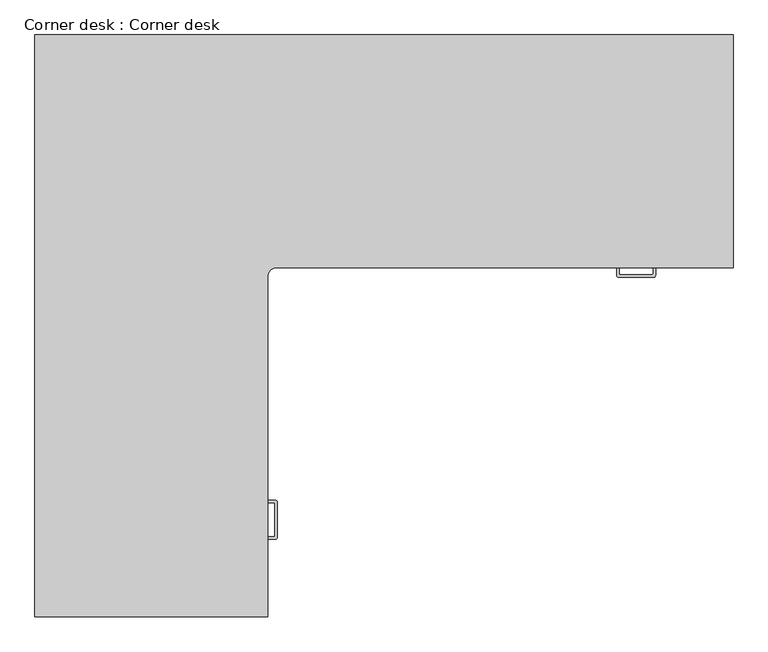
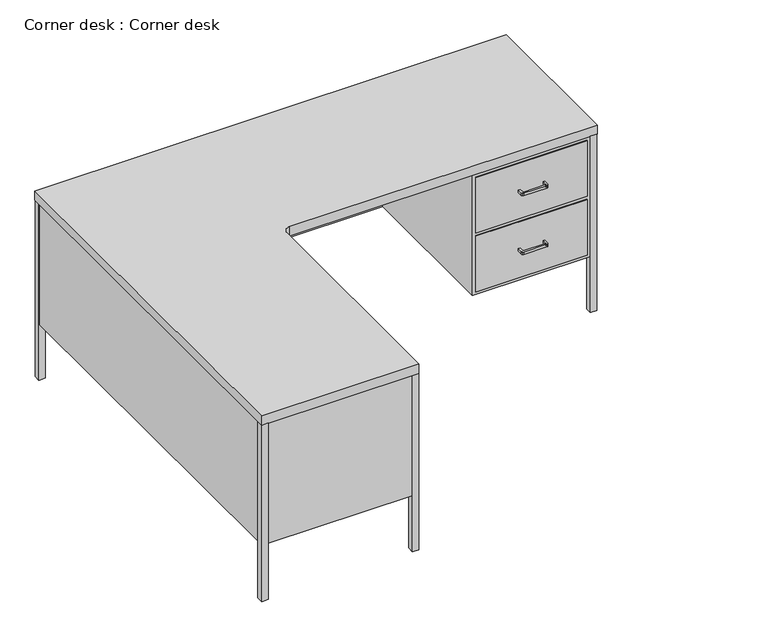
"""IFC4 building model written with IfcOpenShell, lengths in millimetres: furniture geometry, Corner desk : Corner desk."""

from ifc_helpers import new_model, si_unit, frame, origin, place, context, project, spatial, polyline, circle_curve, source, transform, mapped, element, save
from ifc_brep_helpers import plane_surface, cylinder_surface, revolved_surface, advanced_brep


def corner_desk_corner_desk_9271327f(model_context):
    return source(origin(), model_context, "Body", "AdvancedBrep", [
        advanced_brep(
        [(611.4771568, -617.9413021, 724.0806959), (629.437669, -610.5018143, 724.0806959), (629.437669, -610.5018143, 762.1806959), (611.4771568, -617.9413021, 762.1806959), (622.3437202, -1314.6078655, 592.0006959), (620.547669, -1315.3518143, 592.0006959), (620.547669, -1315.3518143, 602.1606959), (622.3437202, -1314.6078655, 602.1606959), (622.3437202, -1227.1957631, 592.0006959), (623.087669, -1228.9918143, 592.0006959), (623.087669, -1228.9918143, 602.1606959), (622.3437202, -1227.1957631, 602.1606959), (627.9497714, -1320.2139168, 602.1606959), (624.357669, -1321.7018143, 602.1606959), (624.357669, -1321.7018143, 592.0006959), (627.9497714, -1320.2139168, 592.0006959), (627.9497714, -1221.5897119, 592.0006959), (624.357669, -1220.1018143, 592.0006959), (624.357669, -1220.1018143, 602.1606959), (627.9497714, -1221.5897119, 602.1606959), (622.3437202, -1314.6078655, 350.7006959), (620.547669, -1315.3518143, 350.7006959), (620.547669, -1315.3518143, 360.8606959), (622.3437202, -1314.6078655, 360.8606959), (622.3437202, -1227.1957631, 350.7006959), (623.087669, -1228.9918143, 350.7006959), (623.087669, -1228.9918143, 360.8606959), (622.3437202, -1227.1957631, 360.8606959), (627.9497714, -1320.2139168, 360.8606959), (624.357669, -1321.7018143, 360.8606959), (624.357669, -1321.7018143, 350.7006959), (627.9497714, -1320.2139168, 350.7006959), (627.9497714, -1221.5897119, 350.7006959), (624.357669, -1220.1018143, 350.7006959), (624.357669, -1220.1018143, 360.8606959), (627.9497714, -1221.5897119, 360.8606959), (1612.9437202, -628.8078655, 350.7006959), (1611.147669, -629.5518143, 350.7006959), (1611.147669, -629.5518143, 360.8606959), (1612.9437202, -628.8078655, 360.8606959), (1525.5316178, -628.8078655, 350.7006959), (1524.787669, -627.0118143, 350.7006959), (1524.787669, -627.0118143, 360.8606959), (1525.5316178, -628.8078655, 360.8606959), (1519.9255665, -634.4139168, 360.8606959), (1518.437669, -630.8218143, 360.8606959), (1518.437669, -630.8218143, 350.7006959), (1519.9255665, -634.4139168, 350.7006959), (1618.5497714, -634.4139168, 350.7006959), (1620.037669, -630.8218143, 350.7006959), (1620.037669, -630.8218143, 360.8606959), (1618.5497714, -634.4139168, 360.8606959), (1612.9437202, -628.8078655, 592.0006959), (1611.147669, -629.5518143, 592.0006959), (1611.147669, -629.5518143, 602.1606959), (1612.9437202, -628.8078655, 602.1606959), (1525.5316178, -628.8078655, 592.0006959), (1524.787669, -627.0118143, 592.0006959), (1524.787669, -627.0118143, 602.1606959), (1525.5316178, -628.8078655, 602.1606959), (1519.9255665, -634.4139168, 602.1606959), (1518.437669, -630.8218143, 602.1606959), (1518.437669, -630.8218143, 592.0006959), (1519.9255665, -634.4139168, 592.0006959), (1618.5497714, -634.4139168, 592.0006959), (1620.037669, -630.8218143, 592.0006959), (1620.037669, -630.8218143, 602.1606959), (1618.5497714, -634.4139168, 602.1606959), (578.637669, -1524.6478143, 0.1806959), (578.637669, -1499.5018143, 0.1806959), (603.783669, -1499.5018143, 0.1806959), (603.783669, -1524.6478143, 0.1806959), (-5.308331, -1499.5018143, 0.1806959), (19.837669, -1499.5018143, 0.1806959), (19.837669, -1524.6478143, 0.1806959), (-5.308331, -1524.6478143, 0.1806959), (19.837669, -1.1558143, 0.1806959), (19.837669, -26.3018143, 0.1806959), (-5.308331, -26.3018143, 0.1806959), (-5.308331, -1.1558143, 0.1806959), (1822.983669, -1.1558143, 0.1806959), (1822.983669, -26.3018143, 0.1806959), (1797.837669, -26.3018143, 0.1806959), (1797.837669, -1.1558143, 0.1806959), (1797.837669, -585.1018143, 0.1806959), (1822.983669, -585.1018143, 0.1806959), (1822.983669, -610.2478143, 0.1806959), (1797.837669, -610.2478143, 0.1806959), (1822.983669, -585.1018143, 724.0806959), (1822.983669, -610.2478143, 724.0806959), (1797.837669, -610.2478143, 724.0806959), (1822.983669, -26.3018143, 724.0806959), (1820.697669, -26.3018143, 724.0806959), (1820.697669, -26.3018143, 228.7806959), (1797.837669, -26.3018143, 228.7806959), (1797.837669, -3.4418143, 228.7806959), (1797.837669, -3.4418143, 724.0806959), (1797.837669, -1.1558143, 724.0806959), (19.837669, -26.3018143, 724.0806959), (-0.482331, -26.3018143, 724.0806959), (-0.482331, -26.3018143, 228.7806959), (-3.022331, -26.3018143, 228.7806959), (-3.022331, -26.3018143, 724.0806959), (-5.308331, -26.3018143, 724.0806959), (-5.308331, -1.1558143, 724.0806959), (19.837669, -1499.5018143, 228.7806959), (19.837669, -1522.3618143, 228.7806959), (19.837669, -1522.3618143, 724.0806959), (19.837669, -1524.6478143, 724.0806959), (-5.308331, -1524.6478143, 724.0806959), (578.637669, -1499.5018143, 228.7806959), (601.497669, -1499.5018143, 228.7806959), (601.497669, -1499.5018143, 724.0806959), (603.783669, -1499.5018143, 724.0806959), (603.783669, -1524.6478143, 724.0806959), (1614.957669, -635.9018143, 602.1606959), (1614.957669, -635.9018143, 592.0006959), (1620.037669, -610.5018143, 592.0006959), (1620.037669, -610.5018143, 602.1606959), (1613.687669, -610.5018143, 602.1606959), (1613.687669, -627.0118143, 602.1606959), (1527.327669, -629.5518143, 602.1606959), (1524.787669, -610.5018143, 602.1606959), (1518.437669, -610.5018143, 602.1606959), (1523.517669, -635.9018143, 602.1606959), (1523.517669, -635.9018143, 592.0006959), (1518.437669, -610.5018143, 592.0006959), (1524.787669, -610.5018143, 592.0006959), (1527.327669, -629.5518143, 592.0006959), (1613.687669, -627.0118143, 592.0006959), (1613.687669, -610.5018143, 592.0006959), (1614.957669, -635.9018143, 360.8606959), (1614.957669, -635.9018143, 350.7006959), (1620.037669, -610.5018143, 350.7006959), (1620.037669, -610.5018143, 360.8606959), (1613.687669, -610.5018143, 360.8606959), (1613.687669, -627.0118143, 360.8606959), (1527.327669, -629.5518143, 360.8606959), (1524.787669, -610.5018143, 360.8606959), (1518.437669, -610.5018143, 360.8606959), (1523.517669, -635.9018143, 360.8606959), (1523.517669, -635.9018143, 350.7006959), (1518.437669, -610.5018143, 350.7006959), (1524.787669, -610.5018143, 350.7006959), (1527.327669, -629.5518143, 350.7006959), (1613.687669, -627.0118143, 350.7006959), (1613.687669, -610.5018143, 350.7006959), (629.437669, -1225.1818143, 360.8606959), (629.437669, -1225.1818143, 350.7006959), (604.037669, -1220.1018143, 350.7006959), (604.037669, -1220.1018143, 360.8606959), (604.037669, -1226.4518143, 360.8606959), (620.547669, -1226.4518143, 360.8606959), (623.087669, -1312.8118143, 360.8606959), (604.037669, -1315.3518143, 360.8606959), (604.037669, -1321.7018143, 360.8606959), (629.437669, -1316.6218143, 360.8606959), (629.437669, -1316.6218143, 350.7006959), (604.037669, -1321.7018143, 350.7006959), (604.037669, -1315.3518143, 350.7006959), (623.087669, -1312.8118143, 350.7006959), (620.547669, -1226.4518143, 350.7006959), (604.037669, -1226.4518143, 350.7006959), (629.437669, -1225.1818143, 602.1606959), (629.437669, -1225.1818143, 592.0006959), (604.037669, -1220.1018143, 592.0006959), (604.037669, -1220.1018143, 602.1606959), (604.037669, -1226.4518143, 602.1606959), (620.547669, -1226.4518143, 602.1606959), (623.087669, -1312.8118143, 602.1606959), (604.037669, -1315.3518143, 602.1606959), (604.037669, -1321.7018143, 602.1606959), (629.437669, -1316.6218143, 602.1606959), (629.437669, -1316.6218143, 592.0006959), (604.037669, -1321.7018143, 592.0006959), (604.037669, -1315.3518143, 592.0006959), (623.087669, -1312.8118143, 592.0006959), (620.547669, -1226.4518143, 592.0006959), (604.037669, -1226.4518143, 592.0006959), (604.037669, -1055.0018143, 482.7806959), (601.497669, -1055.0018143, 482.7806959), (601.497669, -1055.0018143, 711.3806959), (604.037669, -1055.0018143, 711.3806959), (604.037669, -1486.8018143, 482.7806959), (601.497669, -1486.8018143, 482.7806959), (604.037669, -1486.8018143, 711.3806959), (601.497669, -1486.8018143, 711.3806959), (604.037669, -1486.8018143, 470.0806959), (601.497669, -1486.8018143, 470.0806959), (601.497669, -1486.8018143, 241.4806959), (604.037669, -1486.8018143, 241.4806959), (604.037669, -1055.0018143, 470.0806959), (601.497669, -1055.0018143, 470.0806959), (604.037669, -1055.0018143, 241.4806959), (601.497669, -1055.0018143, 241.4806959), (1785.137669, -610.5018143, 482.7806959), (1785.137669, -607.9618143, 482.7806959), (1785.137669, -607.9618143, 711.3806959), (1785.137669, -610.5018143, 711.3806959), (1353.337669, -610.5018143, 482.7806959), (1353.337669, -607.9618143, 482.7806959), (1353.337669, -610.5018143, 711.3806959), (1353.337669, -607.9618143, 711.3806959), (1353.337669, -610.5018143, 470.0806959), (1353.337669, -607.9618143, 470.0806959), (1353.337669, -607.9618143, 241.4806959), (1353.337669, -610.5018143, 241.4806959), (1785.137669, -610.5018143, 470.0806959), (1785.137669, -607.9618143, 470.0806959), (1785.137669, -610.5018143, 241.4806959), (1785.137669, -607.9618143, 241.4806959), (604.037669, -635.9018143, 762.1806959), (604.037669, -635.9018143, 724.0806959), (1823.237669, -610.5018143, 724.0806959), (1823.237669, -610.5018143, 762.1806959), (578.637669, -1522.3618143, 724.0806959), (578.637669, -1522.3618143, 228.7806959), (-3.022331, -1499.5018143, 228.7806959), (-3.022331, -1499.5018143, 724.0806959), (19.837669, -3.4418143, 724.0806959), (19.837669, -3.4418143, 228.7806959), (1820.697669, -585.1018143, 724.0806959), (1820.697669, -585.1018143, 228.7806959), (604.037669, -1524.9018143, 762.1806959), (604.037669, -1524.9018143, 724.0806959), (1340.637669, -5.9818143, 228.7806959), (1340.637669, -5.9818143, 724.0806959), (19.837669, -5.9818143, 724.0806959), (19.837669, -5.9818143, 228.7806959), (-5.562331, -1524.9018143, 762.1806959), (-5.562331, -1524.9018143, 724.0806959), (1797.837669, -607.9618143, 724.0806959), (1797.837669, -607.9618143, 228.7806959), (1797.837669, -585.1018143, 228.7806959), (-5.562331, -0.9018143, 762.1806959), (-5.562331, -0.9018143, 724.0806959), (1823.237669, -0.9018143, 762.1806959), (1823.237669, -0.9018143, 724.0806959), (1340.637669, -607.9618143, 228.7806959), (601.497669, -1042.3018143, 724.0806959), (-0.482331, -1042.3018143, 724.0806959), (1340.637669, -607.9618143, 724.0806959), (1822.983669, -1.1558143, 724.0806959), (19.837669, -1.1558143, 724.0806959), (-5.308331, -1499.5018143, 724.0806959), (578.637669, -1524.6478143, 724.0806959), (-0.482331, -1042.3018143, 228.7806959), (601.497669, -1042.3018143, 228.7806959)],
        [
            (0, 1, circle_curve(frame((629.437669, -635.9018143, 724.0806959), z_axis=(0.0, 0.0, -1.0), x_axis=(-0.7071067811865465, 0.7071067811865486, 0.0)), 25.4)),
            (1, 2),
            (2, 3, circle_curve(frame((629.437669, -635.9018143, 762.1806959), z_axis=(0.0, 0.0, 1.0), x_axis=(-0.7071067811865465, 0.7071067811865486, 0.0)), 25.4)),
            (3, 0),
            (4, 5, circle_curve(frame((620.547669, -1312.8118143, 592.0006959), z_axis=(0.0, 0.0, -1.0), x_axis=(0.7071067811865079, -0.707106781186587, 0.0)), 2.54)),
            (5, 6),
            (6, 7, circle_curve(frame((620.547669, -1312.8118143, 602.1606959), z_axis=(0.0, 0.0, 1.0), x_axis=(0.7071067811865079, -0.707106781186587, 0.0)), 2.54)),
            (7, 4),
            (8, 9, circle_curve(frame((620.547669, -1228.9918143, 592.0006959), z_axis=(0.0, 0.0, -1.0), x_axis=(0.7071067811865079, 0.707106781186587, 0.0)), 2.54)),
            (9, 10),
            (10, 11, circle_curve(frame((620.547669, -1228.9918143, 602.1606959), z_axis=(0.0, 0.0, 1.0), x_axis=(0.7071067811865079, 0.707106781186587, 0.0)), 2.54)),
            (11, 8),
            (12, 13, circle_curve(frame((624.357669, -1316.6218143, 602.1606959), z_axis=(0.0, 0.0, -1.0), x_axis=(0.7071067811865178, -0.7071067811865772, 0.0)), 5.08)),
            (13, 14),
            (14, 15, circle_curve(frame((624.357669, -1316.6218143, 592.0006959), z_axis=(0.0, 0.0, 1.0), x_axis=(0.7071067811865178, -0.7071067811865772, 0.0)), 5.08)),
            (15, 12),
            (16, 17, circle_curve(frame((624.357669, -1225.1818143, 592.0006959), z_axis=(0.0, 0.0, 1.0), x_axis=(0.7071067811865375, 0.7071067811865573, 0.0)), 5.08)),
            (17, 18),
            (18, 19, circle_curve(frame((624.357669, -1225.1818143, 602.1606959), z_axis=(0.0, 0.0, -1.0), x_axis=(0.7071067811865375, 0.7071067811865573, 0.0)), 5.08)),
            (19, 16),
            (20, 21, circle_curve(frame((620.547669, -1312.8118143, 350.7006959), z_axis=(0.0, 0.0, -1.0), x_axis=(0.7071067811865079, -0.707106781186587, 0.0)), 2.54)),
            (21, 22),
            (22, 23, circle_curve(frame((620.547669, -1312.8118143, 360.8606959), z_axis=(0.0, 0.0, 1.0), x_axis=(0.7071067811865079, -0.707106781186587, 0.0)), 2.54)),
            (23, 20),
            (24, 25, circle_curve(frame((620.547669, -1228.9918143, 350.7006959), z_axis=(0.0, 0.0, -1.0), x_axis=(0.7071067811865079, 0.707106781186587, 0.0)), 2.54)),
            (25, 26),
            (26, 27, circle_curve(frame((620.547669, -1228.9918143, 360.8606959), z_axis=(0.0, 0.0, 1.0), x_axis=(0.7071067811865079, 0.707106781186587, 0.0)), 2.54)),
            (27, 24),
            (28, 29, circle_curve(frame((624.357669, -1316.6218143, 360.8606959), z_axis=(0.0, 0.0, -1.0), x_axis=(0.7071067811865178, -0.7071067811865772, 0.0)), 5.08)),
            (29, 30),
            (30, 31, circle_curve(frame((624.357669, -1316.6218143, 350.7006959), z_axis=(0.0, 0.0, 1.0), x_axis=(0.7071067811865178, -0.7071067811865772, 0.0)), 5.08)),
            (31, 28),
            (32, 33, circle_curve(frame((624.357669, -1225.1818143, 350.7006959), z_axis=(0.0, 0.0, 1.0), x_axis=(0.7071067811865375, 0.7071067811865573, 0.0)), 5.08)),
            (33, 34),
            (34, 35, circle_curve(frame((624.357669, -1225.1818143, 360.8606959), z_axis=(0.0, 0.0, -1.0), x_axis=(0.7071067811865375, 0.7071067811865573, 0.0)), 5.08)),
            (35, 32),
            (36, 37, circle_curve(frame((1611.147669, -627.0118143, 350.7006959), z_axis=(0.0, 0.0, -1.0), x_axis=(0.7071067811864881, -0.7071067811866067, 0.0)), 2.54)),
            (37, 38),
            (38, 39, circle_curve(frame((1611.147669, -627.0118143, 360.8606959), z_axis=(0.0, 0.0, 1.0), x_axis=(0.7071067811864881, -0.7071067811866067, 0.0)), 2.54)),
            (39, 36),
            (40, 41, circle_curve(frame((1527.327669, -627.0118143, 350.7006959), z_axis=(0.0, 0.0, -1.0), x_axis=(-0.7071067811865672, -0.7071067811865278, 0.0)), 2.54)),
            (41, 42),
            (42, 43, circle_curve(frame((1527.327669, -627.0118143, 360.8606959), z_axis=(0.0, 0.0, 1.0), x_axis=(-0.7071067811865672, -0.7071067811865278, 0.0)), 2.54)),
            (43, 40),
            (44, 45, circle_curve(frame((1523.517669, -630.8218143, 360.8606959), z_axis=(0.0, 0.0, -1.0), x_axis=(-0.7071067811865475, -0.7071067811865475, 0.0)), 5.08)),
            (45, 46),
            (46, 47, circle_curve(frame((1523.517669, -630.8218143, 350.7006959), z_axis=(0.0, 0.0, 1.0), x_axis=(-0.7071067811865475, -0.7071067811865475, 0.0)), 5.08)),
            (47, 44),
            (48, 49, circle_curve(frame((1614.957669, -630.8218143, 350.7006959), z_axis=(0.0, 0.0, 1.0), x_axis=(0.7071067811865278, -0.7071067811865672, 0.0)), 5.08)),
            (49, 50),
            (50, 51, circle_curve(frame((1614.957669, -630.8218143, 360.8606959), z_axis=(0.0, 0.0, -1.0), x_axis=(0.7071067811865278, -0.7071067811865672, 0.0)), 5.08)),
            (51, 48),
            (52, 53, circle_curve(frame((1611.147669, -627.0118143, 592.0006959), z_axis=(0.0, 0.0, -1.0), x_axis=(0.7071067811865079, -0.7071067811865871, 0.0)), 2.54)),
            (53, 54),
            (54, 55, circle_curve(frame((1611.147669, -627.0118143, 602.1606959), z_axis=(0.0, 0.0, 1.0), x_axis=(0.7071067811865079, -0.7071067811865871, 0.0)), 2.54)),
            (55, 52),
            (56, 57, circle_curve(frame((1527.327669, -627.0118143, 592.0006959), z_axis=(0.0, 0.0, -1.0), x_axis=(-0.707106781186587, -0.7071067811865079, 0.0)), 2.54)),
            (57, 58),
            (58, 59, circle_curve(frame((1527.327669, -627.0118143, 602.1606959), z_axis=(0.0, 0.0, 1.0), x_axis=(-0.707106781186587, -0.7071067811865079, 0.0)), 2.54)),
            (59, 56),
            (60, 61, circle_curve(frame((1523.517669, -630.8218143, 602.1606959), z_axis=(0.0, 0.0, -1.0), x_axis=(-0.7071067811865573, -0.7071067811865375, 0.0)), 5.08)),
            (61, 62),
            (62, 63, circle_curve(frame((1523.517669, -630.8218143, 592.0006959), z_axis=(0.0, 0.0, 1.0), x_axis=(-0.7071067811865573, -0.7071067811865375, 0.0)), 5.08)),
            (63, 60),
            (64, 65, circle_curve(frame((1614.957669, -630.8218143, 592.0006959), z_axis=(0.0, 0.0, 1.0), x_axis=(0.7071067811865375, -0.7071067811865573, 0.0)), 5.08)),
            (65, 66),
            (66, 67, circle_curve(frame((1614.957669, -630.8218143, 602.1606959), z_axis=(0.0, 0.0, -1.0), x_axis=(0.7071067811865375, -0.7071067811865573, 0.0)), 5.08)),
            (67, 64),
            (68, 69),
            (69, 70),
            (70, 71),
            (71, 68),
            (72, 73),
            (73, 74),
            (74, 75),
            (75, 72),
            (76, 77),
            (77, 78),
            (78, 79),
            (79, 76),
            (80, 81),
            (81, 82),
            (82, 83),
            (83, 80),
            (84, 85),
            (85, 86),
            (86, 87),
            (87, 84),
            (85, 88),
            (88, 89),
            (89, 86),
            (89, 90),
            (90, 87),
            (81, 91),
            (91, 92),
            (92, 93),
            (93, 94),
            (94, 82),
            (94, 95),
            (95, 96),
            (96, 97),
            (97, 83),
            (77, 98),
            (98, 99),
            (99, 100),
            (100, 101),
            (101, 102),
            (102, 103),
            (103, 78),
            (103, 104),
            (104, 79),
            (73, 105),
            (105, 106),
            (106, 107),
            (107, 108),
            (108, 74),
            (108, 109),
            (109, 75),
            (69, 110),
            (110, 111),
            (111, 112),
            (112, 113),
            (113, 70),
            (113, 114),
            (114, 71),
            (67, 115, circle_curve(frame((1614.957669, -630.8218143, 602.1606959), z_axis=(0.0, 0.0, -1.0), x_axis=(0.7071067811865375, -0.7071067811865573, 0.0)), 5.08)),
            (115, 116),
            (116, 64, circle_curve(frame((1614.957669, -630.8218143, 592.0006959), z_axis=(0.0, 0.0, 1.0), x_axis=(0.7071067811865375, -0.7071067811865573, 0.0)), 5.08)),
            (65, 117),
            (117, 118),
            (118, 66),
            (118, 119),
            (119, 120),
            (120, 55, circle_curve(frame((1611.147669, -627.0118143, 602.1606959), z_axis=(0.0, 0.0, -1.0), x_axis=(0.7071067811865079, -0.7071067811865871, 0.0)), 2.54)),
            (54, 121),
            (121, 59, circle_curve(frame((1527.327669, -627.0118143, 602.1606959), z_axis=(0.0, 0.0, -1.0), x_axis=(-0.707106781186587, -0.7071067811865079, 0.0)), 2.54)),
            (58, 122),
            (122, 123),
            (123, 61),
            (60, 124, circle_curve(frame((1523.517669, -630.8218143, 602.1606959), z_axis=(0.0, 0.0, 1.0), x_axis=(-0.7071067811865573, -0.7071067811865375, 0.0)), 5.08)),
            (124, 115),
            (63, 125, circle_curve(frame((1523.517669, -630.8218143, 592.0006959), z_axis=(0.0, 0.0, 1.0), x_axis=(-0.7071067811865573, -0.7071067811865375, 0.0)), 5.08)),
            (125, 124),
            (123, 126),
            (126, 62),
            (116, 125),
            (126, 127),
            (127, 57),
            (56, 128, circle_curve(frame((1527.327669, -627.0118143, 592.0006959), z_axis=(0.0, 0.0, 1.0), x_axis=(-0.707106781186587, -0.7071067811865079, 0.0)), 2.54)),
            (128, 53),
            (52, 129, circle_curve(frame((1611.147669, -627.0118143, 592.0006959), z_axis=(0.0, 0.0, 1.0), x_axis=(0.7071067811865079, -0.7071067811865871, 0.0)), 2.54)),
            (129, 130),
            (130, 117),
            (121, 128),
            (127, 122),
            (120, 129),
            (119, 130),
            (51, 131, circle_curve(frame((1614.957669, -630.8218143, 360.8606959), z_axis=(0.0, 0.0, -1.0), x_axis=(0.7071067811865278, -0.7071067811865672, 0.0)), 5.08)),
            (131, 132),
            (132, 48, circle_curve(frame((1614.957669, -630.8218143, 350.7006959), z_axis=(0.0, 0.0, 1.0), x_axis=(0.7071067811865278, -0.7071067811865672, 0.0)), 5.08)),
            (49, 133),
            (133, 134),
            (134, 50),
            (134, 135),
            (135, 136),
            (136, 39, circle_curve(frame((1611.147669, -627.0118143, 360.8606959), z_axis=(0.0, 0.0, -1.0), x_axis=(0.7071067811864881, -0.7071067811866067, 0.0)), 2.54)),
            (38, 137),
            (137, 43, circle_curve(frame((1527.327669, -627.0118143, 360.8606959), z_axis=(0.0, 0.0, -1.0), x_axis=(-0.7071067811865672, -0.7071067811865278, 0.0)), 2.54)),
            (42, 138),
            (138, 139),
            (139, 45),
            (44, 140, circle_curve(frame((1523.517669, -630.8218143, 360.8606959), z_axis=(0.0, 0.0, 1.0), x_axis=(-0.7071067811865475, -0.7071067811865475, 0.0)), 5.08)),
            (140, 131),
            (47, 141, circle_curve(frame((1523.517669, -630.8218143, 350.7006959), z_axis=(0.0, 0.0, 1.0), x_axis=(-0.7071067811865475, -0.7071067811865475, 0.0)), 5.08)),
            (141, 140),
            (139, 142),
            (142, 46),
            (132, 141),
            (142, 143),
            (143, 41),
            (40, 144, circle_curve(frame((1527.327669, -627.0118143, 350.7006959), z_axis=(0.0, 0.0, 1.0), x_axis=(-0.7071067811865672, -0.7071067811865278, 0.0)), 2.54)),
            (144, 37),
            (36, 145, circle_curve(frame((1611.147669, -627.0118143, 350.7006959), z_axis=(0.0, 0.0, 1.0), x_axis=(0.7071067811864881, -0.7071067811866067, 0.0)), 2.54)),
            (145, 146),
            (146, 133),
            (137, 144),
            (143, 138),
            (136, 145),
            (135, 146),
            (35, 147, circle_curve(frame((624.357669, -1225.1818143, 360.8606959), z_axis=(0.0, 0.0, -1.0), x_axis=(0.7071067811865375, 0.7071067811865573, 0.0)), 5.08)),
            (147, 148),
            (148, 32, circle_curve(frame((624.357669, -1225.1818143, 350.7006959), z_axis=(0.0, 0.0, 1.0), x_axis=(0.7071067811865375, 0.7071067811865573, 0.0)), 5.08)),
            (33, 149),
            (149, 150),
            (150, 34),
            (150, 151),
            (151, 152),
            (152, 27, circle_curve(frame((620.547669, -1228.9918143, 360.8606959), z_axis=(0.0, 0.0, -1.0), x_axis=(0.7071067811865079, 0.707106781186587, 0.0)), 2.54)),
            (26, 153),
            (153, 23, circle_curve(frame((620.547669, -1312.8118143, 360.8606959), z_axis=(0.0, 0.0, -1.0), x_axis=(0.7071067811865079, -0.707106781186587, 0.0)), 2.54)),
            (22, 154),
            (154, 155),
            (155, 29),
            (28, 156, circle_curve(frame((624.357669, -1316.6218143, 360.8606959), z_axis=(0.0, 0.0, 1.0), x_axis=(0.7071067811865178, -0.7071067811865772, 0.0)), 5.08)),
            (156, 147),
            (31, 157, circle_curve(frame((624.357669, -1316.6218143, 350.7006959), z_axis=(0.0, 0.0, 1.0), x_axis=(0.7071067811865178, -0.7071067811865772, 0.0)), 5.08)),
            (157, 156),
            (155, 158),
            (158, 30),
            (148, 157),
            (158, 159),
            (159, 21),
            (20, 160, circle_curve(frame((620.547669, -1312.8118143, 350.7006959), z_axis=(0.0, 0.0, 1.0), x_axis=(0.7071067811865079, -0.707106781186587, 0.0)), 2.54)),
            (160, 25),
            (24, 161, circle_curve(frame((620.547669, -1228.9918143, 350.7006959), z_axis=(0.0, 0.0, 1.0), x_axis=(0.7071067811865079, 0.707106781186587, 0.0)), 2.54)),
            (161, 162),
            (162, 149),
            (152, 161),
            (160, 153),
            (159, 154),
            (151, 162),
            (19, 163, circle_curve(frame((624.357669, -1225.1818143, 602.1606959), z_axis=(0.0, 0.0, -1.0), x_axis=(0.7071067811865375, 0.7071067811865573, 0.0)), 5.08)),
            (163, 164),
            (164, 16, circle_curve(frame((624.357669, -1225.1818143, 592.0006959), z_axis=(0.0, 0.0, 1.0), x_axis=(0.7071067811865375, 0.7071067811865573, 0.0)), 5.08)),
            (17, 165),
            (165, 166),
            (166, 18),
            (166, 167),
            (167, 168),
            (168, 11, circle_curve(frame((620.547669, -1228.9918143, 602.1606959), z_axis=(0.0, 0.0, -1.0), x_axis=(0.7071067811865079, 0.707106781186587, 0.0)), 2.54)),
            (10, 169),
            (169, 7, circle_curve(frame((620.547669, -1312.8118143, 602.1606959), z_axis=(0.0, 0.0, -1.0), x_axis=(0.7071067811865079, -0.707106781186587, 0.0)), 2.54)),
            (6, 170),
            (170, 171),
            (171, 13),
            (12, 172, circle_curve(frame((624.357669, -1316.6218143, 602.1606959), z_axis=(0.0, 0.0, 1.0), x_axis=(0.7071067811865178, -0.7071067811865772, 0.0)), 5.08)),
            (172, 163),
            (15, 173, circle_curve(frame((624.357669, -1316.6218143, 592.0006959), z_axis=(0.0, 0.0, 1.0), x_axis=(0.7071067811865178, -0.7071067811865772, 0.0)), 5.08)),
            (173, 172),
            (171, 174),
            (174, 14),
            (164, 173),
            (174, 175),
            (175, 5),
            (4, 176, circle_curve(frame((620.547669, -1312.8118143, 592.0006959), z_axis=(0.0, 0.0, 1.0), x_axis=(0.7071067811865079, -0.707106781186587, 0.0)), 2.54)),
            (176, 9),
            (8, 177, circle_curve(frame((620.547669, -1228.9918143, 592.0006959), z_axis=(0.0, 0.0, 1.0), x_axis=(0.7071067811865079, 0.707106781186587, 0.0)), 2.54)),
            (177, 178),
            (178, 165),
            (168, 177),
            (176, 169),
            (175, 170),
            (167, 178),
            (179, 180),
            (180, 181),
            (181, 182),
            (182, 179),
            (183, 184),
            (184, 180),
            (179, 183),
            (185, 186),
            (186, 184),
            (183, 185),
            (181, 186),
            (185, 182),
            (187, 188),
            (188, 189),
            (189, 190),
            (190, 187),
            (191, 192),
            (192, 188),
            (187, 191),
            (193, 194),
            (194, 192),
            (191, 193),
            (189, 194),
            (193, 190),
            (195, 196),
            (196, 197),
            (197, 198),
            (198, 195),
            (199, 200),
            (200, 196),
            (195, 199),
            (201, 202),
            (202, 200),
            (199, 201),
            (197, 202),
            (201, 198),
            (203, 204),
            (204, 205),
            (205, 206),
            (206, 203),
            (207, 208),
            (208, 204),
            (203, 207),
            (209, 210),
            (210, 208),
            (207, 209),
            (205, 210),
            (209, 206),
            (3, 211, circle_curve(frame((629.437669, -635.9018143, 762.1806959), z_axis=(0.0, 0.0, 1.0), x_axis=(-0.7071067811865465, 0.7071067811865486, 0.0)), 25.4)),
            (211, 212),
            (212, 0, circle_curve(frame((629.437669, -635.9018143, 724.0806959), z_axis=(0.0, 0.0, -1.0), x_axis=(-0.7071067811865465, 0.7071067811865486, 0.0)), 25.4)),
            (1, 213),
            (213, 214),
            (214, 2),
            (215, 107),
            (106, 216),
            (216, 215),
            (217, 218),
            (218, 102),
            (101, 217),
            (219, 96),
            (95, 220),
            (220, 219),
            (221, 222),
            (222, 93),
            (92, 221),
            (211, 223),
            (223, 224),
            (224, 212),
            (225, 226),
            (226, 227),
            (227, 228),
            (228, 225),
            (223, 229),
            (229, 230),
            (230, 224),
            (90, 231),
            (231, 232),
            (232, 233),
            (233, 84),
            (229, 234),
            (234, 235),
            (235, 230),
            (234, 236),
            (236, 237),
            (237, 235),
            (233, 222),
            (221, 88),
            (232, 238),
            (238, 225),
            (228, 220),
            (237, 213),
            (112, 239),
            (239, 240),
            (240, 99),
            (98, 227),
            (226, 241),
            (241, 231),
            (91, 242),
            (242, 97),
            (219, 243),
            (243, 104),
            (218, 244),
            (244, 109),
            (215, 245),
            (245, 114),
            (240, 246),
            (246, 100),
            (241, 238),
            (111, 247),
            (247, 239),
            (247, 246),
            (105, 217),
            (110, 216),
            (236, 214),
            (242, 80),
            (243, 76),
            (244, 72),
            (245, 68),
        ],
        [
            revolved_surface(polyline([(611.4771567578617, -617.9413020578617, 724.0806959), (611.4771567578617, -617.9413020578617, 762.1806959)]), (629.437669, -635.9018143, 762.1806959), (0.0, 0.0, -1.0)),
            revolved_surface(polyline([(622.3437202242138, -1314.6078655242138, 592.0006959), (622.3437202242138, -1314.6078655242138, 602.1606959)]), (620.547669, -1312.8118143, 602.1606959), (0.0, 0.0, -1.0)),
            revolved_surface(polyline([(622.3437202242138, -1227.195763075786, 592.0006959), (622.3437202242138, -1227.195763075786, 602.1606959)]), (620.547669, -1228.9918143, 602.1606959), (0.0, 0.0, -1.0)),
            cylinder_surface(frame((624.357669, -1316.6218143, 594.5406959), z_axis=(0.0, 0.0, 1.0), x_axis=(0.7071067811865178, -0.7071067811865772, 0.0)), 5.08),
            cylinder_surface(frame((624.357669, -1225.1818143, 599.6206959), z_axis=(0.0, 0.0, -1.0), x_axis=(0.7071067811865375, 0.7071067811865573, 0.0)), 5.08),
            revolved_surface(polyline([(622.3437202242138, -1314.6078655242138, 350.7006959), (622.3437202242138, -1314.6078655242138, 360.8606959)]), (620.547669, -1312.8118143, 360.8606959), (0.0, 0.0, -1.0)),
            revolved_surface(polyline([(622.3437202242138, -1227.195763075786, 350.7006959), (622.3437202242138, -1227.195763075786, 360.8606959)]), (620.547669, -1228.9918143, 360.8606959), (0.0, 0.0, -1.0)),
            cylinder_surface(frame((624.357669, -1316.6218143, 353.2406959), z_axis=(0.0, 0.0, 1.0), x_axis=(0.7071067811865178, -0.7071067811865772, 0.0)), 5.08),
            cylinder_surface(frame((624.357669, -1225.1818143, 358.3206959), z_axis=(0.0, 0.0, -1.0), x_axis=(0.7071067811865375, 0.7071067811865573, 0.0)), 5.08),
            revolved_surface(polyline([(1612.9437202242136, -628.807865524214, 350.7006959), (1612.9437202242136, -628.807865524214, 360.8606959)]), (1611.147669, -627.0118143, 360.8606959), (0.0, 0.0, -1.0)),
            revolved_surface(polyline([(1525.5316177757861, -628.8078655242138, 350.7006959), (1525.5316177757861, -628.8078655242138, 360.8606959)]), (1527.327669, -627.0118143, 360.8606959), (0.0, 0.0, -1.0)),
            cylinder_surface(frame((1523.517669, -630.8218143, 353.2406959), z_axis=(0.0, 0.0, 1.0), x_axis=(-0.7071067811865475, -0.7071067811865475, 0.0)), 5.08),
            cylinder_surface(frame((1614.957669, -630.8218143, 358.3206959), z_axis=(0.0, 0.0, -1.0), x_axis=(0.7071067811865278, -0.7071067811865672, 0.0)), 5.08),
            revolved_surface(polyline([(1612.9437202242136, -628.8078655242139, 592.0006959), (1612.9437202242136, -628.8078655242139, 602.1606959)]), (1611.147669, -627.0118143, 602.1606959), (0.0, 0.0, -1.0)),
            revolved_surface(polyline([(1525.5316177757861, -628.8078655242138, 592.0006959), (1525.5316177757861, -628.8078655242138, 602.1606959)]), (1527.327669, -627.0118143, 602.1606959), (0.0, 0.0, -1.0)),
            cylinder_surface(frame((1523.517669, -630.8218143, 594.5406959), z_axis=(0.0, 0.0, 1.0), x_axis=(-0.7071067811865573, -0.7071067811865375, 0.0)), 5.08),
            cylinder_surface(frame((1614.957669, -630.8218143, 599.6206959), z_axis=(0.0, 0.0, -1.0), x_axis=(0.7071067811865375, -0.7071067811865573, 0.0)), 5.08),
            plane_surface(frame((1822.983669, -1.1558143, 0.1806959), z_axis=(0.0, 0.0, -1.0), x_axis=(1.0, 0.0, 0.0))),
            plane_surface(frame((1822.983669, -597.8018143, -361.7693041), z_axis=(1.0, 0.0, 0.0), x_axis=(0.0, 0.0, -1.0))),
            plane_surface(frame((1431.6893421, -610.2478143, -598.9637849), z_axis=(0.0, -1.0, 0.0), x_axis=(0.0, 0.0, 1.0))),
            plane_surface(frame((1823.237669, -26.3018143, 0.1806959), z_axis=(0.0, -1.0, 0.0), x_axis=(0.0, 0.0, -1.0))),
            plane_surface(frame((1797.837669, -610.5018143, 0.1806959), z_axis=(-1.0, 0.0, 0.0), x_axis=(0.0, 0.0, -1.0))),
            plane_surface(frame((-5.562331, -26.3018143, -723.7193041), z_axis=(0.0, -1.0, 0.0), x_axis=(0.0, 0.0, -1.0))),
            plane_surface(frame((-5.308331, -13.6018143, -361.7693041), z_axis=(-1.0, 0.0, 0.0), x_axis=(0.0, 0.0, -1.0))),
            plane_surface(frame((19.837669, -984.8018143, -291.5693041), z_axis=(1.0, 0.0, 0.0), x_axis=(0.0, 0.0, -1.0))),
            plane_surface(frame((7.137669, -1524.6478143, -361.7693041), z_axis=(0.0, -1.0, 0.0), x_axis=(0.0, 0.0, 1.0))),
            plane_surface(frame((604.037669, -1499.5018143, -228.4193041), z_axis=(0.0, 1.0, 0.0), x_axis=(0.0, 0.0, 1.0))),
            plane_surface(frame((603.783669, -1512.2018143, -361.7693041), z_axis=(1.0, 0.0, 0.0), x_axis=(0.0, 0.0, -1.0))),
            plane_surface(frame((1620.037669, -610.5018143, 602.1606959), z_axis=(1.0, 0.0, 0.0), x_axis=(0.0, 0.0, 1.0))),
            plane_surface(frame((1518.437669, -610.5018143, 602.1606959), z_axis=(0.0, 0.0, 1.0), x_axis=(-1.0, 0.0, 0.0))),
            plane_surface(frame((1518.437669, -610.5018143, 592.0006959), z_axis=(-1.0, 0.0, 0.0), x_axis=(0.0, 0.0, -1.0))),
            plane_surface(frame((1569.237669, -610.5018143, 592.0006959), z_axis=(0.0, 0.0, -1.0), x_axis=(1.0, 0.0, 0.0))),
            plane_surface(frame((1524.787669, -610.5018143, 602.1606959), z_axis=(1.0, 0.0, 0.0), x_axis=(0.0, 0.0, -1.0))),
            plane_surface(frame((1524.787669, -629.5518143, 602.1606959), z_axis=(0.0, 1.0, 0.0), x_axis=(0.0, 0.0, -1.0))),
            plane_surface(frame((1613.687669, -629.5518143, 602.1606959), z_axis=(-1.0, 0.0, 0.0), x_axis=(0.0, 0.0, 1.0))),
            plane_surface(frame((1569.237669, -635.9018143, 597.0806959), z_axis=(0.0, -1.0, 0.0), x_axis=(0.0, 0.0, -1.0))),
            plane_surface(frame((1620.037669, -610.5018143, 360.8606959), z_axis=(1.0, 0.0, 0.0), x_axis=(0.0, 0.0, 1.0))),
            plane_surface(frame((1518.437669, -610.5018143, 360.8606959), z_axis=(0.0, 0.0, 1.0), x_axis=(-1.0, 0.0, 0.0))),
            plane_surface(frame((1518.437669, -610.5018143, 350.7006959), z_axis=(-1.0, 0.0, 0.0), x_axis=(0.0, 0.0, -1.0))),
            plane_surface(frame((1569.237669, -610.5018143, 350.7006959), z_axis=(0.0, 0.0, -1.0), x_axis=(1.0, 0.0, 0.0))),
            plane_surface(frame((1524.787669, -610.5018143, 360.8606959), z_axis=(1.0, 0.0, 0.0), x_axis=(0.0, 0.0, -1.0))),
            plane_surface(frame((1524.787669, -629.5518143, 360.8606959), z_axis=(0.0, 1.0, 0.0), x_axis=(0.0, 0.0, -1.0))),
            plane_surface(frame((1613.687669, -629.5518143, 360.8606959), z_axis=(-1.0, 0.0, 0.0), x_axis=(0.0, 0.0, 1.0))),
            plane_surface(frame((1569.237669, -635.9018143, 355.7806959), z_axis=(0.0, -1.0, 0.0), x_axis=(0.0, 0.0, -1.0))),
            plane_surface(frame((604.037669, -1220.1018143, 360.8606959), z_axis=(0.0, 1.0, 0.0), x_axis=(0.0, 0.0, 1.0))),
            plane_surface(frame((604.037669, -1321.7018143, 360.8606959), z_axis=(0.0, 0.0, 1.0), x_axis=(-1.0, 0.0, 0.0))),
            plane_surface(frame((604.037669, -1321.7018143, 350.7006959), z_axis=(0.0, -1.0, 0.0), x_axis=(0.0, 0.0, -1.0))),
            plane_surface(frame((604.037669, -1270.9018143, 350.7006959), z_axis=(0.0, 0.0, -1.0), x_axis=(1.0, 0.0, 0.0))),
            plane_surface(frame((623.087669, -1315.3518143, 360.8606959), z_axis=(-1.0, 0.0, 0.0), x_axis=(0.0, 0.0, 1.0))),
            plane_surface(frame((604.037669, -1315.3518143, 360.8606959), z_axis=(0.0, 1.0, 0.0), x_axis=(0.0, 0.0, -1.0))),
            plane_surface(frame((623.087669, -1226.4518143, 360.8606959), z_axis=(0.0, -1.0, 0.0), x_axis=(0.0, 0.0, 1.0))),
            plane_surface(frame((629.437669, -1270.9018143, 355.7806959), z_axis=(1.0, 0.0, 0.0), x_axis=(0.0, 0.0, 1.0))),
            plane_surface(frame((604.037669, -1220.1018143, 602.1606959), z_axis=(0.0, 1.0, 0.0), x_axis=(0.0, 0.0, 1.0))),
            plane_surface(frame((604.037669, -1321.7018143, 602.1606959), z_axis=(0.0, 0.0, 1.0), x_axis=(-1.0, 0.0, 0.0))),
            plane_surface(frame((604.037669, -1321.7018143, 592.0006959), z_axis=(0.0, -1.0, 0.0), x_axis=(0.0, 0.0, -1.0))),
            plane_surface(frame((604.037669, -1270.9018143, 592.0006959), z_axis=(0.0, 0.0, -1.0), x_axis=(1.0, 0.0, 0.0))),
            plane_surface(frame((623.087669, -1315.3518143, 602.1606959), z_axis=(-1.0, 0.0, 0.0), x_axis=(0.0, 0.0, 1.0))),
            plane_surface(frame((604.037669, -1315.3518143, 602.1606959), z_axis=(0.0, 1.0, 0.0), x_axis=(0.0, 0.0, -1.0))),
            plane_surface(frame((623.087669, -1226.4518143, 602.1606959), z_axis=(0.0, -1.0, 0.0), x_axis=(0.0, 0.0, 1.0))),
            plane_surface(frame((629.437669, -1270.9018143, 597.0806959), z_axis=(1.0, 0.0, 0.0), x_axis=(0.0, 0.0, 1.0))),
            plane_surface(frame((601.497669, -1055.0018143, 711.3806959), z_axis=(0.0, 1.0, 0.0), x_axis=(0.0, 0.0, 1.0))),
            plane_surface(frame((601.497669, -1055.0018143, 482.7806959), z_axis=(0.0, 0.0, -1.0), x_axis=(1.0, 0.0, 0.0))),
            plane_surface(frame((601.497669, -1486.8018143, 482.7806959), z_axis=(0.0, -1.0, 0.0), x_axis=(0.0, 0.0, -1.0))),
            plane_surface(frame((601.497669, -1486.8018143, 711.3806959), z_axis=(0.0, 0.0, 1.0), x_axis=(-1.0, 0.0, 0.0))),
            plane_surface(frame((604.037669, -1270.9018143, 597.0806959), z_axis=(1.0, 0.0, 0.0), x_axis=(0.0, 0.0, 1.0))),
            plane_surface(frame((601.497669, -1486.8018143, 241.4806959), z_axis=(0.0, -1.0, 0.0), x_axis=(0.0, 0.0, -1.0))),
            plane_surface(frame((601.497669, -1486.8018143, 470.0806959), z_axis=(0.0, 0.0, 1.0), x_axis=(-1.0, 0.0, 0.0))),
            plane_surface(frame((601.497669, -1055.0018143, 470.0806959), z_axis=(0.0, 1.0, 0.0), x_axis=(0.0, 0.0, 1.0))),
            plane_surface(frame((601.497669, -1055.0018143, 241.4806959), z_axis=(0.0, 0.0, -1.0), x_axis=(1.0, 0.0, 0.0))),
            plane_surface(frame((604.037669, -1270.9018143, 355.7806959), z_axis=(1.0, 0.0, 0.0), x_axis=(0.0, 0.0, 1.0))),
            plane_surface(frame((1785.137669, -607.9618143, 711.3806959), z_axis=(1.0, 0.0, 0.0), x_axis=(0.0, 0.0, 1.0))),
            plane_surface(frame((1785.137669, -607.9618143, 482.7806959), z_axis=(0.0, 0.0, -1.0), x_axis=(1.0, 0.0, 0.0))),
            plane_surface(frame((1353.337669, -607.9618143, 482.7806959), z_axis=(-1.0, 0.0, 0.0), x_axis=(0.0, 0.0, -1.0))),
            plane_surface(frame((1353.337669, -607.9618143, 711.3806959), z_axis=(0.0, 0.0, 1.0), x_axis=(-1.0, 0.0, 0.0))),
            plane_surface(frame((1569.237669, -610.5018143, 597.0806959), z_axis=(0.0, -1.0, 0.0), x_axis=(0.0, 0.0, -1.0))),
            plane_surface(frame((1353.337669, -607.9618143, 241.4806959), z_axis=(-1.0, 0.0, 0.0), x_axis=(0.0, 0.0, -1.0))),
            plane_surface(frame((1353.337669, -607.9618143, 470.0806959), z_axis=(0.0, 0.0, 1.0), x_axis=(-1.0, 0.0, 0.0))),
            plane_surface(frame((1785.137669, -607.9618143, 470.0806959), z_axis=(1.0, 0.0, 0.0), x_axis=(0.0, 0.0, 1.0))),
            plane_surface(frame((1785.137669, -607.9618143, 241.4806959), z_axis=(0.0, 0.0, -1.0), x_axis=(1.0, 0.0, 0.0))),
            plane_surface(frame((1569.237669, -610.5018143, 355.7806959), z_axis=(0.0, -1.0, 0.0), x_axis=(0.0, 0.0, -1.0))),
            plane_surface(frame((604.037669, -610.5018143, 762.1806959), z_axis=(0.0, -1.0, 0.0), x_axis=(0.0, 0.0, -1.0))),
            plane_surface(frame((299.237669, -1522.3618143, 476.4306959), z_axis=(0.0, -1.0, 0.0), x_axis=(0.0, 0.0, -1.0))),
            plane_surface(frame((-3.022331, -762.9018143, 362.1306959), z_axis=(-1.0, 0.0, 0.0), x_axis=(0.0, 0.0, 1.0))),
            plane_surface(frame((908.837669, -3.4418143, 476.4306959), z_axis=(0.0, 1.0, 0.0), x_axis=(0.0, 0.0, -1.0))),
            plane_surface(frame((1820.697669, -305.7018143, 476.4306959), z_axis=(1.0, 0.0, 0.0), x_axis=(0.0, 0.0, 1.0))),
            plane_surface(frame((604.037669, -1524.9018143, 762.1806959), z_axis=(1.0, 0.0, 0.0), x_axis=(0.0, 0.0, 1.0))),
            plane_surface(frame((853.7864303, -5.9818143, 317.2394572), z_axis=(0.0, -1.0, 0.0), x_axis=(0.0, 0.0, -1.0))),
            plane_surface(frame((-5.562331, -1524.9018143, 762.1806959), z_axis=(0.0, -1.0, 0.0), x_axis=(0.0, 0.0, -1.0))),
            plane_surface(frame((-5.562331, -0.9018143, 762.1806959), z_axis=(-1.0, 0.0, 0.0), x_axis=(0.0, 0.0, -1.0))),
            plane_surface(frame((1823.237669, -0.9018143, 762.1806959), z_axis=(0.0, 1.0, 0.0), x_axis=(0.0, 0.0, 1.0))),
            plane_surface(frame((1823.237669, -585.1018143, -228.4193041), z_axis=(0.0, 1.0, 0.0), x_axis=(0.0, 0.0, 1.0))),
            plane_surface(frame((1797.837669, -610.5018143, 228.7806959), z_axis=(0.0, 0.0, -1.0), x_axis=(-1.0, 0.0, 0.0))),
            plane_surface(frame((604.037669, -610.5018143, 724.0806959), z_axis=(0.0, 0.0, -1.0), x_axis=(-1.0, 0.0, 0.0))),
            plane_surface(frame((-0.482331, -711.3677103, 310.5965918), z_axis=(1.0, 0.0, 0.0), x_axis=(0.0, 0.0, 1.0))),
            plane_surface(frame((1569.237669, -607.9618143, 476.4306959), z_axis=(0.0, -1.0, 0.0), x_axis=(0.0, 0.0, -1.0))),
            plane_surface(frame((1340.637669, -610.5018143, 228.7806959), z_axis=(-1.0, 0.0, 0.0), x_axis=(0.0, 0.0, 1.0))),
            plane_surface(frame((601.497669, -1270.9018143, 476.4306959), z_axis=(1.0, 0.0, 0.0), x_axis=(0.0, 0.0, 1.0))),
            plane_surface(frame((604.037669, -1042.3018143, 724.0806959), z_axis=(0.0, 1.0, 0.0), x_axis=(0.0, 0.0, -1.0))),
            plane_surface(frame((604.037669, -1042.3018143, 228.7806959), z_axis=(0.0, 0.0, -1.0), x_axis=(-1.0, 0.0, 0.0))),
            plane_surface(frame((1823.237669, -610.5018143, 762.1806959), z_axis=(1.0, 0.0, 0.0), x_axis=(0.0, 0.0, 1.0))),
            plane_surface(frame((742.5831235, -596.6472688, 762.1806959), z_axis=(0.0, 0.0, 1.0), x_axis=(1.0, 0.0, 0.0))),
            plane_surface(frame((1810.410669, -1.1558143, -361.7693041), z_axis=(0.0, 1.0, 0.0), x_axis=(0.0, 0.0, 1.0))),
            plane_surface(frame((1822.983669, -13.6018143, -361.7693041), z_axis=(1.0, 0.0, 0.0), x_axis=(0.0, 0.0, -1.0))),
            plane_surface(frame((-5.562331, -1499.5018143, -228.4193041), z_axis=(0.0, 1.0, 0.0), x_axis=(0.0, 0.0, 1.0))),
            plane_surface(frame((19.837669, -0.9018143, 0.1806959), z_axis=(1.0, 0.0, 0.0), x_axis=(0.0, 0.0, -1.0))),
            plane_surface(frame((578.637669, -1524.9018143, 0.1806959), z_axis=(-1.0, 0.0, 0.0), x_axis=(0.0, 0.0, -1.0))),
        ],
        [
            (0, [[1, 2, 3, 4]]),
            (1, [[5, 6, 7, 8]]),
            (2, [[9, 10, 11, 12]]),
            (3, [[13, 14, 15, 16]]),
            (4, [[17, 18, 19, 20]]),
            (5, [[21, 22, 23, 24]]),
            (6, [[25, 26, 27, 28]]),
            (7, [[29, 30, 31, 32]]),
            (8, [[33, 34, 35, 36]]),
            (9, [[37, 38, 39, 40]]),
            (10, [[41, 42, 43, 44]]),
            (11, [[45, 46, 47, 48]]),
            (12, [[49, 50, 51, 52]]),
            (13, [[53, 54, 55, 56]]),
            (14, [[57, 58, 59, 60]]),
            (15, [[61, 62, 63, 64]]),
            (16, [[65, 66, 67, 68]]),
            (17, [[69, 70, 71, 72]]),
            (17, [[73, 74, 75, 76]]),
            (17, [[77, 78, 79, 80]]),
            (17, [[81, 82, 83, 84]]),
            (17, [[85, 86, 87, 88]]),
            (18, [[89, 90, 91, -86]]),
            (19, [[-91, 92, 93, -87]]),
            (20, [[94, 95, 96, 97, 98, -82]]),
            (21, [[-98, 99, 100, 101, 102, -83]]),
            (22, [[103, 104, 105, 106, 107, 108, 109, -78]]),
            (23, [[-109, 110, 111, -79]]),
            (24, [[112, 113, 114, 115, 116, -74]]),
            (25, [[-116, 117, 118, -75]]),
            (26, [[119, 120, 121, 122, 123, -70]]),
            (27, [[-123, 124, 125, -71]]),
            (16, [[126, 127, 128, -68]]),
            (28, [[129, 130, 131, -66]]),
            (29, [[-67, -131, 132, 133, 134, -55, 135, 136, -59, 137, 138, 139, -61, 140, 141, -126]]),
            (15, [[142, 143, -140, -64]]),
            (30, [[-139, 144, 145, -62]]),
            (31, [[-128, 146, -142, -63, -145, 147, 148, -57, 149, 150, -53, 151, 152, 153, -129, -65]]),
            (14, [[-136, 154, -149, -60]]),
            (32, [[-148, 155, -137, -58]]),
            (13, [[-134, 156, -151, -56]]),
            (33, [[-135, -54, -150, -154]]),
            (34, [[-133, 157, -152, -156]]),
            (35, [[-141, -143, -146, -127]]),
            (12, [[158, 159, 160, -52]]),
            (36, [[161, 162, 163, -50]]),
            (37, [[-51, -163, 164, 165, 166, -39, 167, 168, -43, 169, 170, 171, -45, 172, 173, -158]]),
            (11, [[174, 175, -172, -48]]),
            (38, [[-171, 176, 177, -46]]),
            (39, [[-160, 178, -174, -47, -177, 179, 180, -41, 181, 182, -37, 183, 184, 185, -161, -49]]),
            (10, [[-168, 186, -181, -44]]),
            (40, [[-180, 187, -169, -42]]),
            (9, [[-166, 188, -183, -40]]),
            (41, [[-167, -38, -182, -186]]),
            (42, [[-165, 189, -184, -188]]),
            (43, [[-173, -175, -178, -159]]),
            (8, [[190, 191, 192, -36]]),
            (44, [[193, 194, 195, -34]]),
            (45, [[-35, -195, 196, 197, 198, -27, 199, 200, -23, 201, 202, 203, -29, 204, 205, -190]]),
            (7, [[206, 207, -204, -32]]),
            (46, [[-203, 208, 209, -30]]),
            (47, [[-192, 210, -206, -31, -209, 211, 212, -21, 213, 214, -25, 215, 216, 217, -193, -33]]),
            (6, [[-198, 218, -215, -28]]),
            (48, [[-214, 219, -199, -26]]),
            (5, [[-200, -219, -213, -24]]),
            (49, [[-212, 220, -201, -22]]),
            (50, [[-197, 221, -216, -218]]),
            (51, [[-205, -207, -210, -191]]),
            (4, [[222, 223, 224, -20]]),
            (52, [[225, 226, 227, -18]]),
            (53, [[-19, -227, 228, 229, 230, -11, 231, 232, -7, 233, 234, 235, -13, 236, 237, -222]]),
            (3, [[238, 239, -236, -16]]),
            (54, [[-235, 240, 241, -14]]),
            (55, [[-224, 242, -238, -15, -241, 243, 244, -5, 245, 246, -9, 247, 248, 249, -225, -17]]),
            (2, [[-230, 250, -247, -12]]),
            (56, [[-246, 251, -231, -10]]),
            (1, [[-232, -251, -245, -8]]),
            (57, [[-244, 252, -233, -6]]),
            (58, [[-229, 253, -248, -250]]),
            (59, [[-237, -239, -242, -223]]),
            (60, [[254, 255, 256, 257]]),
            (61, [[258, 259, -254, 260]]),
            (62, [[261, 262, -258, 263]]),
            (63, [[-256, 264, -261, 265]]),
            (64, [[-265, -263, -260, -257], [-253, -228, -226, -249], [-243, -240, -234, -252]]),
            (65, [[266, 267, 268, 269]]),
            (66, [[270, 271, -266, 272]]),
            (67, [[273, 274, -270, 275]]),
            (68, [[-268, 276, -273, 277]]),
            (69, [[-277, -275, -272, -269], [-221, -196, -194, -217], [-211, -208, -202, -220]]),
            (70, [[278, 279, 280, 281]]),
            (71, [[282, 283, -278, 284]]),
            (72, [[285, 286, -282, 287]]),
            (73, [[-280, 288, -285, 289]]),
            (74, [[-289, -287, -284, -281], [-155, -147, -144, -138], [-132, -130, -153, -157]]),
            (75, [[290, 291, 292, 293]]),
            (76, [[294, 295, -290, 296]]),
            (77, [[297, 298, -294, 299]]),
            (78, [[-292, 300, -297, 301]]),
            (79, [[-301, -299, -296, -293], [-187, -179, -176, -170], [-164, -162, -185, -189]]),
            (0, [[302, 303, 304, -4]]),
            (80, [[305, 306, 307, -2]]),
            (81, [[308, -114, 309, 310]]),
            (82, [[311, 312, -107, 313]]),
            (83, [[314, -100, 315, 316]]),
            (84, [[317, 318, -96, 319]]),
            (85, [[320, 321, 322, -303]]),
            (86, [[323, 324, 325, 326]]),
            (87, [[-321, 327, 328, 329]]),
            (21, [[-93, 330, 331, 332, 333, -88]]),
            (88, [[-328, 334, 335, 336]]),
            (89, [[-335, 337, 338, 339]]),
            (90, [[-333, 340, -317, 341, -89, -85]]),
            (91, [[-340, -332, 342, 343, -326, 344, -315, -99, -97, -318]]),
            (92, [[-1, -304, -322, -329, -336, -339, 345, -305], [-122, 346, 347, 348, -104, 349, -324, 350, 351, -330, -92, -90, -341, -319, -95, 352, 353, -101, -314, 354, 355, -110, -108, -312, 356, 357, -117, -115, -308, 358, 359, -124]]),
            (93, [[-105, -348, 360, 361]]),
            (94, [[-331, -351, 362, -342], [-283, -286, -288, -279], [-295, -298, -300, -291]]),
            (95, [[-350, -323, -343, -362]]),
            (96, [[-346, -121, 363, 364], [-259, -262, -264, -255], [-271, -274, -276, -267]]),
            (97, [[365, -360, -347, -364]]),
            (98, [[-113, 366, -313, -106, -361, -365, -363, -120, 367, -309]]),
            (99, [[-338, 368, -306, -345]]),
            (100, [[-334, -327, -320, -302, -3, -307, -368, -337]]),
            (101, [[-102, -353, 369, -84]]),
            (101, [[-111, -355, 370, -80]]),
            (102, [[-369, -352, -94, -81]]),
            (23, [[-118, -357, 371, -76]]),
            (25, [[-125, -359, 372, -72]]),
            (103, [[-371, -356, -311, -366, -112, -73]]),
            (104, [[-370, -354, -316, -344, -325, -349, -103, -77]]),
            (105, [[-372, -358, -310, -367, -119, -69]]),
        ],
    ),
    ])


if __name__ == "__main__":
    model = new_model("IFC4")
    model_context = context("Model", 3, world=origin())
    ifc_project = project(units=[si_unit("LENGTHUNIT", "METRE", prefix="MILLI")], contexts=[model_context])
    site = spatial("IfcSite", under=ifc_project)
    building = spatial("IfcBuilding", under=site)
    placement = place(None, origin())
    corner_desk_corner_desk_shape = corner_desk_corner_desk_9271327f(model_context)
    element("IfcFurniture", 1, ObjectType="Corner desk : Corner desk", at=placement, inside=building, context=model_context, shape_type="MappedRepresentation", body=[
        mapped(corner_desk_corner_desk_shape, transform((0.0, 0.0, 0.0), x_axis=(1.0, 0.0, 0.0), y_axis=(0.0, 1.0, 0.0), z_axis=(0.0, 0.0, 1.0))),
    ])
    save(model, "model.ifc")
